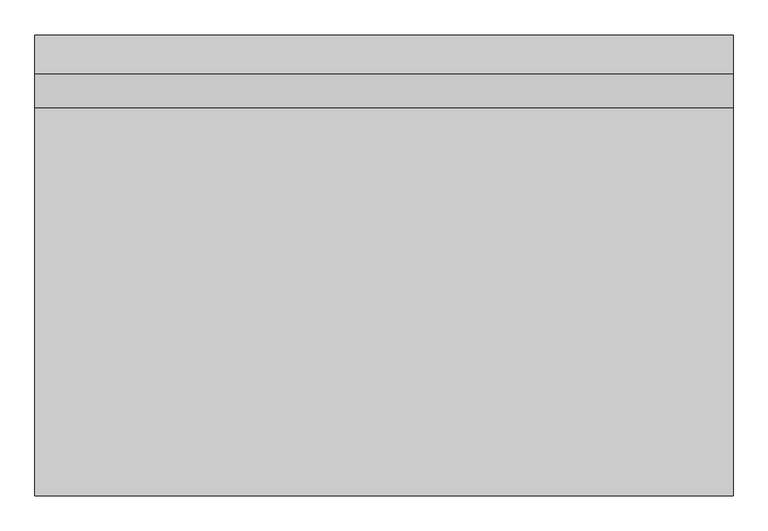
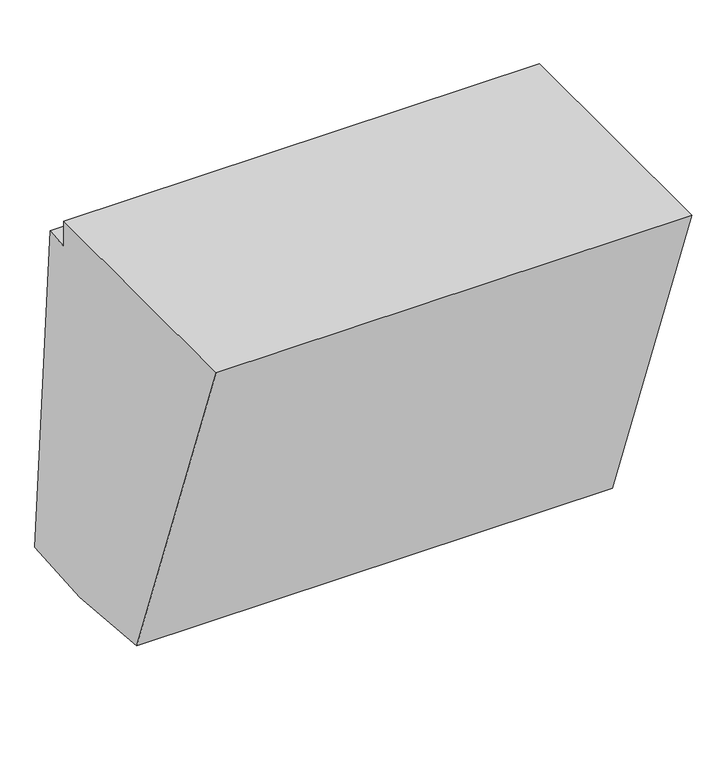
"""IFC4 building model written with IfcOpenShell, lengths in millimetres: proxy geometry."""

from ifc_helpers import new_model, si_unit, frame, origin, place, context, project, spatial, polyline, outline, extrude, source, transform, mapped, element, save


def generic_models_4f6ae173(model_context):
    return source(origin(), model_context, "Body", "SweptSolid", [
        extrude(outline(polyline([(-1401.6632903, 4237.2099389), (-1186.6747048, 4253.3701547), (-948.6492214, 1086.7811352), (-1648.5049325, 1034.1745314), (-2545.0801608, 1112.6146998), (-3789.5958024, 4477.2099389), (-1401.6632903, 4477.2099389), (-1401.6632903, 4237.2099389)])), frame((-2229.3271688, 0.0, 0.0), z_axis=(1.0, 0.0, 0.0), x_axis=(0.0, 1.0, 0.0)), (0.0, 0.0, 1.0), 4300.0),
    ])


if __name__ == "__main__":
    model = new_model("IFC4")
    model_context = context("Model", 3, world=origin())
    ifc_project = project(units=[si_unit("LENGTHUNIT", "METRE", prefix="MILLI")], contexts=[model_context])
    site = spatial("IfcSite", under=ifc_project)
    building = spatial("IfcBuilding", under=site)
    placement = place(None, origin())
    generic_models_shape = generic_models_4f6ae173(model_context)
    element("IfcBuildingElementProxy", 1, Name="Generic Models", at=placement, inside=building, context=model_context, shape_type="MappedRepresentation", body=[
        mapped(generic_models_shape, transform((0.0, 0.0, 0.0), x_axis=(1.0, 0.0, 0.0), y_axis=(0.0, 1.0, 0.0), z_axis=(0.0, 0.0, 1.0))),
    ])
    save(model, "model.ifc")
